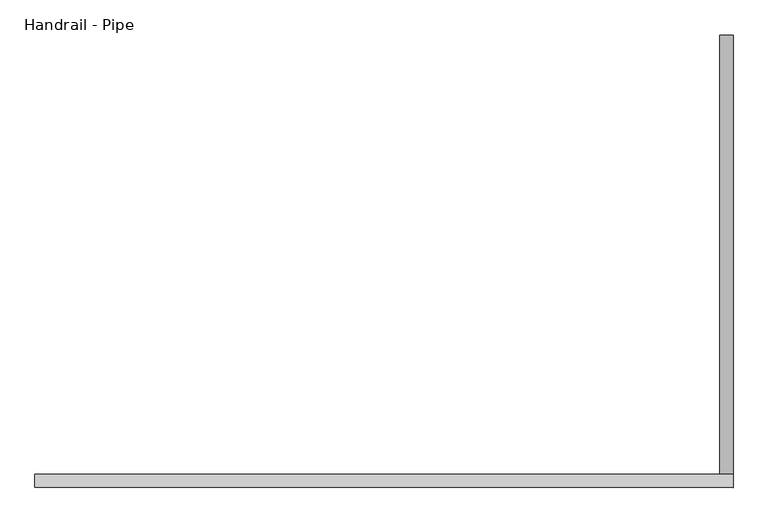
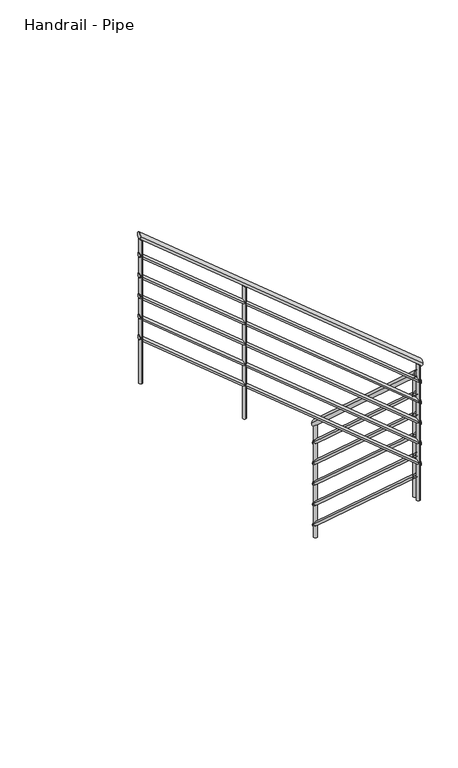
"""IFC4 building model written with IfcOpenShell, lengths in millimetres: railing geometry, Handrail - Pipe."""

from ifc_helpers import new_model, si_unit, frame, origin, place, context, project, spatial, circle_curve, ellipse_curve, source, transform, mapped, element, save
from ifc_brep_helpers import plane_surface, cylinder_surface, advanced_brep


def handrail_pipe_b92172c2(model_context):
    return source(origin(), model_context, "Body", "AdvancedBrep", [
        advanced_brep(
        [(14353.5405293, -598.2792994, -1742.7746845), (14315.4405293, -598.2792994, -1742.7746845), (14353.5405293, -1842.6266333, -621.462482), (14315.4405293, -1842.6266333, -621.462482)],
        [
            (0, 1, ellipse_curve(frame((14334.4905293, -598.2792994, -1742.7746845), z_axis=(0.0, 1.0, 0.0), x_axis=(0.0, 0.0, -1.0)), 25.6434925, 19.05)),
            (1, 0, ellipse_curve(frame((14334.4905293, -598.2792994, -1742.7746845), z_axis=(0.0, 1.0, 0.0), x_axis=(0.0, 0.0, -1.0)), 25.6434925, 19.05)),
            (2, 3, ellipse_curve(frame((14334.4905293, -1842.6266333, -621.462482), z_axis=(0.0, -1.0, 0.0), x_axis=(0.0, 0.0, -1.0)), 25.6434925, 19.05)),
            (3, 2, ellipse_curve(frame((14334.4905293, -1842.6266333, -621.462482), z_axis=(0.0, -1.0, 0.0), x_axis=(0.0, 0.0, -1.0)), 25.6434925, 19.05)),
            (0, 2),
            (3, 1),
        ],
        [
            plane_surface(frame((14334.4905293, -598.2792994, -1717.131192), z_axis=(0.0, 1.0, 0.0), x_axis=(0.0, 0.0, -1.0))),
            plane_surface(frame((14334.4905293, -1842.6266333, -595.8189894), z_axis=(0.0, -1.0, 0.0), x_axis=(0.0, 0.0, -1.0))),
            cylinder_surface(frame((14334.4905293, -611.0318693, -1731.283028), z_axis=(0.0, 0.7428785280974411, -0.6694262412632025), x_axis=(-1.0, 0.0, 0.0)), 19.05),
        ],
        [
            (0, [[1, 2]]),
            (1, [[3, 4]]),
            (2, [[-1, 5, -4, 6]]),
            (2, [[-2, -6, -3, -5]]),
        ],
    ),
        advanced_brep(
        [(14353.5405293, -1880.7266333, -534.0992159), (14353.5405293, -1842.6266333, -534.0992159), (12375.2487242, -1880.7266333, 1095.6752641), (12375.2487242, -1842.6266333, 1095.6752641)],
        [
            (0, 1, ellipse_curve(frame((14353.5405293, -1861.6766333, -534.0992159), z_axis=(1.0, 0.0, 0.0), x_axis=(0.0, 0.0, -0.9999999999999999)), 24.6820264, 19.05)),
            (1, 0, ellipse_curve(frame((14353.5405293, -1861.6766333, -534.0992159), z_axis=(1.0, 0.0, 0.0), x_axis=(0.0, 0.0, -0.9999999999999999)), 24.6820264, 19.05)),
            (2, 3, ellipse_curve(frame((12375.2487242, -1861.6766333, 1095.6752641), z_axis=(-1.0, 0.0, 0.0), x_axis=(0.0, 0.0, -0.9999999999999999)), 24.6820264, 19.05)),
            (3, 2, ellipse_curve(frame((12375.2487242, -1861.6766333, 1095.6752641), z_axis=(-1.0, 0.0, 0.0), x_axis=(0.0, 0.0, -0.9999999999999999)), 24.6820264, 19.05)),
            (0, 2),
            (3, 1),
        ],
        [
            plane_surface(frame((14353.5405293, -1861.6766333, -509.4171895), z_axis=(1.0, 0.0, 0.0), x_axis=(0.0, -1.0, 0.0))),
            plane_surface(frame((12375.2487242, -1861.6766333, 1120.3572905), z_axis=(-1.0, 0.0, 0.0), x_axis=(0.0, -1.0, 0.0))),
            cylinder_surface(frame((14341.4276801, -1861.6766333, -524.1202975), z_axis=(0.7718166937504876, 0.0, -0.6358451000425075), x_axis=(0.0, 1.0, 0.0)), 19.05),
        ],
        [
            (0, [[1, 2]]),
            (1, [[3, 4]]),
            (2, [[-1, 5, -4, 6]]),
            (2, [[-2, -6, -3, -5]]),
        ],
    ),
        advanced_brep(
        [(14347.1905293, -598.2792994, -1886.6268537), (14321.7905293, -598.2792994, -1886.6268537), (14347.1905293, -1848.9766333, -759.5925088), (14321.7905293, -1848.9766333, -759.5925088)],
        [
            (0, 1, ellipse_curve(frame((14334.4905293, -598.2792994, -1886.6268537), z_axis=(0.0, 1.0, 0.0), x_axis=(0.0, 0.0, -1.0)), 17.0956617, 12.7)),
            (1, 0, ellipse_curve(frame((14334.4905293, -598.2792994, -1886.6268537), z_axis=(0.0, 1.0, 0.0), x_axis=(0.0, 0.0, -1.0)), 17.0956617, 12.7)),
            (2, 3, ellipse_curve(frame((14334.4905293, -1848.9766333, -759.5925088), z_axis=(0.0, -1.0, 0.0), x_axis=(0.0, 0.0, -1.0)), 17.0956617, 12.7)),
            (3, 2, ellipse_curve(frame((14334.4905293, -1848.9766333, -759.5925088), z_axis=(0.0, -1.0, 0.0), x_axis=(0.0, 0.0, -1.0)), 17.0956617, 12.7)),
            (0, 2),
            (3, 1),
        ],
        [
            plane_surface(frame((14334.4905293, -598.2792994, -1869.531192), z_axis=(0.0, 1.0, 0.0), x_axis=(0.0, 0.0, -1.0))),
            plane_surface(frame((14334.4905293, -1848.9766333, -742.4968471), z_axis=(0.0, -1.0, 0.0), x_axis=(0.0, 0.0, -1.0))),
            cylinder_surface(frame((14334.4905293, -606.7810126, -1878.9657493), z_axis=(0.0, 0.7428785280974411, -0.6694262412632025), x_axis=(-1.0, 0.0, 0.0)), 12.7),
        ],
        [
            (0, [[1, 2]]),
            (1, [[3, 4]]),
            (2, [[-1, 5, -4, 6]]),
            (2, [[-2, -6, -3, -5]]),
        ],
    ),
        advanced_brep(
        [(14347.1905293, -1874.3766333, -673.0405586), (14347.1905293, -1848.9766333, -673.0405586), (12375.2487242, -1874.3766333, 951.5026062), (12375.2487242, -1848.9766333, 951.5026062)],
        [
            (0, 1, ellipse_curve(frame((14347.1905293, -1861.6766333, -673.0405586), z_axis=(1.0, 0.0, 0.0), x_axis=(0.0, 0.0, -0.9999999999999999)), 16.4546843, 12.7)),
            (1, 0, ellipse_curve(frame((14347.1905293, -1861.6766333, -673.0405586), z_axis=(1.0, 0.0, 0.0), x_axis=(0.0, 0.0, -0.9999999999999999)), 16.4546843, 12.7)),
            (2, 3, ellipse_curve(frame((12375.2487242, -1861.6766333, 951.5026062), z_axis=(-1.0, 0.0, 0.0), x_axis=(0.0, 0.0, -0.9999999999999999)), 16.4546843, 12.7)),
            (3, 2, ellipse_curve(frame((12375.2487242, -1861.6766333, 951.5026062), z_axis=(-1.0, 0.0, 0.0), x_axis=(0.0, 0.0, -0.9999999999999999)), 16.4546843, 12.7)),
            (0, 2),
            (3, 1),
        ],
        [
            plane_surface(frame((14347.1905293, -1861.6766333, -656.5858743), z_axis=(1.0, 0.0, 0.0), x_axis=(0.0, -1.0, 0.0))),
            plane_surface(frame((12375.2487242, -1861.6766333, 967.9572905), z_axis=(-1.0, 0.0, 0.0), x_axis=(0.0, -1.0, 0.0))),
            cylinder_surface(frame((14339.1152965, -1861.6766333, -666.3879463), z_axis=(0.7718166937504876, 0.0, -0.6358451000425075), x_axis=(0.0, 1.0, 0.0)), 12.7),
        ],
        [
            (0, [[1, 2]]),
            (1, [[3, 4]]),
            (2, [[-1, 5, -4, 6]]),
            (2, [[-2, -6, -3, -5]]),
        ],
    ),
        advanced_brep(
        [(14347.1905293, -598.2792994, -2039.0268537), (14321.7905293, -598.2792994, -2039.0268537), (14347.1905293, -1848.9766333, -911.9925088), (14321.7905293, -1848.9766333, -911.9925088)],
        [
            (0, 1, ellipse_curve(frame((14334.4905293, -598.2792994, -2039.0268537), z_axis=(0.0, 1.0, 0.0), x_axis=(0.0, 0.0, -1.0)), 17.0956617, 12.7)),
            (1, 0, ellipse_curve(frame((14334.4905293, -598.2792994, -2039.0268537), z_axis=(0.0, 1.0, 0.0), x_axis=(0.0, 0.0, -1.0)), 17.0956617, 12.7)),
            (2, 3, ellipse_curve(frame((14334.4905293, -1848.9766333, -911.9925088), z_axis=(0.0, -1.0, 0.0), x_axis=(0.0, 0.0, -1.0)), 17.0956617, 12.7)),
            (3, 2, ellipse_curve(frame((14334.4905293, -1848.9766333, -911.9925088), z_axis=(0.0, -1.0, 0.0), x_axis=(0.0, 0.0, -1.0)), 17.0956617, 12.7)),
            (0, 2),
            (3, 1),
        ],
        [
            plane_surface(frame((14334.4905293, -598.2792994, -2021.931192), z_axis=(0.0, 1.0, 0.0), x_axis=(0.0, 0.0, -1.0))),
            plane_surface(frame((14334.4905293, -1848.9766333, -894.8968471), z_axis=(0.0, -1.0, 0.0), x_axis=(0.0, 0.0, -1.0))),
            cylinder_surface(frame((14334.4905293, -606.7810126, -2031.3657493), z_axis=(0.0, 0.7428785280974411, -0.6694262412632025), x_axis=(-1.0, 0.0, 0.0)), 12.7),
        ],
        [
            (0, [[1, 2]]),
            (1, [[3, 4]]),
            (2, [[-1, 5, -4, 6]]),
            (2, [[-2, -6, -3, -5]]),
        ],
    ),
        advanced_brep(
        [(14347.1905293, -1874.3766333, -825.4405586), (14347.1905293, -1848.9766333, -825.4405586), (12375.2487242, -1874.3766333, 799.1026062), (12375.2487242, -1848.9766333, 799.1026062)],
        [
            (0, 1, ellipse_curve(frame((14347.1905293, -1861.6766333, -825.4405586), z_axis=(1.0, 0.0, 0.0), x_axis=(0.0, 0.0, -0.9999999999999999)), 16.4546843, 12.7)),
            (1, 0, ellipse_curve(frame((14347.1905293, -1861.6766333, -825.4405586), z_axis=(1.0, 0.0, 0.0), x_axis=(0.0, 0.0, -0.9999999999999999)), 16.4546843, 12.7)),
            (2, 3, ellipse_curve(frame((12375.2487242, -1861.6766333, 799.1026062), z_axis=(-1.0, 0.0, 0.0), x_axis=(0.0, 0.0, -0.9999999999999999)), 16.4546843, 12.7)),
            (3, 2, ellipse_curve(frame((12375.2487242, -1861.6766333, 799.1026062), z_axis=(-1.0, 0.0, 0.0), x_axis=(0.0, 0.0, -0.9999999999999999)), 16.4546843, 12.7)),
            (0, 2),
            (3, 1),
        ],
        [
            plane_surface(frame((14347.1905293, -1861.6766333, -808.9858743), z_axis=(1.0, 0.0, 0.0), x_axis=(0.0, -1.0, 0.0))),
            plane_surface(frame((12375.2487242, -1861.6766333, 815.5572905), z_axis=(-1.0, 0.0, 0.0), x_axis=(0.0, -1.0, 0.0))),
            cylinder_surface(frame((14339.1152965, -1861.6766333, -818.7879463), z_axis=(0.7718166937504876, 0.0, -0.6358451000425075), x_axis=(0.0, 1.0, 0.0)), 12.7),
        ],
        [
            (0, [[1, 2]]),
            (1, [[3, 4]]),
            (2, [[-1, 5, -4, 6]]),
            (2, [[-2, -6, -3, -5]]),
        ],
    ),
        advanced_brep(
        [(14347.1905293, -598.2792994, -2191.4268537), (14321.7905293, -598.2792994, -2191.4268537), (14347.1905293, -1848.9766333, -1064.3925088), (14321.7905293, -1848.9766333, -1064.3925088)],
        [
            (0, 1, ellipse_curve(frame((14334.4905293, -598.2792994, -2191.4268537), z_axis=(0.0, 1.0, 0.0), x_axis=(0.0, 0.0, -1.0)), 17.0956617, 12.7)),
            (1, 0, ellipse_curve(frame((14334.4905293, -598.2792994, -2191.4268537), z_axis=(0.0, 1.0, 0.0), x_axis=(0.0, 0.0, -1.0)), 17.0956617, 12.7)),
            (2, 3, ellipse_curve(frame((14334.4905293, -1848.9766333, -1064.3925088), z_axis=(0.0, -1.0, 0.0), x_axis=(0.0, 0.0, -1.0)), 17.0956617, 12.7)),
            (3, 2, ellipse_curve(frame((14334.4905293, -1848.9766333, -1064.3925088), z_axis=(0.0, -1.0, 0.0), x_axis=(0.0, 0.0, -1.0)), 17.0956617, 12.7)),
            (0, 2),
            (3, 1),
        ],
        [
            plane_surface(frame((14334.4905293, -598.2792994, -2174.331192), z_axis=(0.0, 1.0, 0.0), x_axis=(0.0, 0.0, -1.0))),
            plane_surface(frame((14334.4905293, -1848.9766333, -1047.2968471), z_axis=(0.0, -1.0, 0.0), x_axis=(0.0, 0.0, -1.0))),
            cylinder_surface(frame((14334.4905293, -606.7810126, -2183.7657493), z_axis=(0.0, 0.7428785280974411, -0.6694262412632025), x_axis=(-1.0, 0.0, 0.0)), 12.7),
        ],
        [
            (0, [[1, 2]]),
            (1, [[3, 4]]),
            (2, [[-1, 5, -4, 6]]),
            (2, [[-2, -6, -3, -5]]),
        ],
    ),
        advanced_brep(
        [(14347.1905293, -1874.3766333, -977.8405586), (14347.1905293, -1848.9766333, -977.8405586), (12375.2487242, -1874.3766333, 646.7026062), (12375.2487242, -1848.9766333, 646.7026062)],
        [
            (0, 1, ellipse_curve(frame((14347.1905293, -1861.6766333, -977.8405586), z_axis=(1.0, 0.0, 0.0), x_axis=(0.0, 0.0, -0.9999999999999999)), 16.4546843, 12.7)),
            (1, 0, ellipse_curve(frame((14347.1905293, -1861.6766333, -977.8405586), z_axis=(1.0, 0.0, 0.0), x_axis=(0.0, 0.0, -0.9999999999999999)), 16.4546843, 12.7)),
            (2, 3, ellipse_curve(frame((12375.2487242, -1861.6766333, 646.7026062), z_axis=(-1.0, 0.0, 0.0), x_axis=(0.0, 0.0, -0.9999999999999999)), 16.4546843, 12.7)),
            (3, 2, ellipse_curve(frame((12375.2487242, -1861.6766333, 646.7026062), z_axis=(-1.0, 0.0, 0.0), x_axis=(0.0, 0.0, -0.9999999999999999)), 16.4546843, 12.7)),
            (0, 2),
            (3, 1),
        ],
        [
            plane_surface(frame((14347.1905293, -1861.6766333, -961.3858743), z_axis=(1.0, 0.0, 0.0), x_axis=(0.0, -1.0, 0.0))),
            plane_surface(frame((12375.2487242, -1861.6766333, 663.1572905), z_axis=(-1.0, 0.0, 0.0), x_axis=(0.0, -1.0, 0.0))),
            cylinder_surface(frame((14339.1152965, -1861.6766333, -971.1879463), z_axis=(0.7718166937504876, 0.0, -0.6358451000425075), x_axis=(0.0, 1.0, 0.0)), 12.7),
        ],
        [
            (0, [[1, 2]]),
            (1, [[3, 4]]),
            (2, [[-1, 5, -4, 6]]),
            (2, [[-2, -6, -3, -5]]),
        ],
    ),
        advanced_brep(
        [(14347.1905293, -598.2792994, -2343.8268537), (14321.7905293, -598.2792994, -2343.8268537), (14347.1905293, -1848.9766333, -1216.7925088), (14321.7905293, -1848.9766333, -1216.7925088)],
        [
            (0, 1, ellipse_curve(frame((14334.4905293, -598.2792994, -2343.8268537), z_axis=(0.0, 1.0, 0.0), x_axis=(0.0, 0.0, -1.0)), 17.0956617, 12.7)),
            (1, 0, ellipse_curve(frame((14334.4905293, -598.2792994, -2343.8268537), z_axis=(0.0, 1.0, 0.0), x_axis=(0.0, 0.0, -1.0)), 17.0956617, 12.7)),
            (2, 3, ellipse_curve(frame((14334.4905293, -1848.9766333, -1216.7925088), z_axis=(0.0, -1.0, 0.0), x_axis=(0.0, 0.0, -1.0)), 17.0956617, 12.7)),
            (3, 2, ellipse_curve(frame((14334.4905293, -1848.9766333, -1216.7925088), z_axis=(0.0, -1.0, 0.0), x_axis=(0.0, 0.0, -1.0)), 17.0956617, 12.7)),
            (0, 2),
            (3, 1),
        ],
        [
            plane_surface(frame((14334.4905293, -598.2792994, -2326.731192), z_axis=(0.0, 1.0, 0.0), x_axis=(0.0, 0.0, -1.0))),
            plane_surface(frame((14334.4905293, -1848.9766333, -1199.6968471), z_axis=(0.0, -1.0, 0.0), x_axis=(0.0, 0.0, -1.0))),
            cylinder_surface(frame((14334.4905293, -606.7810126, -2336.1657493), z_axis=(0.0, 0.7428785280974411, -0.6694262412632025), x_axis=(-1.0, 0.0, 0.0)), 12.7),
        ],
        [
            (0, [[1, 2]]),
            (1, [[3, 4]]),
            (2, [[-1, 5, -4, 6]]),
            (2, [[-2, -6, -3, -5]]),
        ],
    ),
        advanced_brep(
        [(14347.1905293, -1874.3766333, -1130.2405586), (14347.1905293, -1848.9766333, -1130.2405586), (12375.2487242, -1874.3766333, 494.3026062), (12375.2487242, -1848.9766333, 494.3026062)],
        [
            (0, 1, ellipse_curve(frame((14347.1905293, -1861.6766333, -1130.2405586), z_axis=(1.0, 0.0, 0.0), x_axis=(0.0, 0.0, -0.9999999999999999)), 16.4546843, 12.7)),
            (1, 0, ellipse_curve(frame((14347.1905293, -1861.6766333, -1130.2405586), z_axis=(1.0, 0.0, 0.0), x_axis=(0.0, 0.0, -0.9999999999999999)), 16.4546843, 12.7)),
            (2, 3, ellipse_curve(frame((12375.2487242, -1861.6766333, 494.3026062), z_axis=(-1.0, 0.0, 0.0), x_axis=(0.0, 0.0, -0.9999999999999999)), 16.4546843, 12.7)),
            (3, 2, ellipse_curve(frame((12375.2487242, -1861.6766333, 494.3026062), z_axis=(-1.0, 0.0, 0.0), x_axis=(0.0, 0.0, -0.9999999999999999)), 16.4546843, 12.7)),
            (0, 2),
            (3, 1),
        ],
        [
            plane_surface(frame((14347.1905293, -1861.6766333, -1113.7858743), z_axis=(1.0, 0.0, 0.0), x_axis=(0.0, -1.0, 0.0))),
            plane_surface(frame((12375.2487242, -1861.6766333, 510.7572905), z_axis=(-1.0, 0.0, 0.0), x_axis=(0.0, -1.0, 0.0))),
            cylinder_surface(frame((14339.1152965, -1861.6766333, -1123.5879463), z_axis=(0.7718166937504876, 0.0, -0.6358451000425075), x_axis=(0.0, 1.0, 0.0)), 12.7),
        ],
        [
            (0, [[1, 2]]),
            (1, [[3, 4]]),
            (2, [[-1, 5, -4, 6]]),
            (2, [[-2, -6, -3, -5]]),
        ],
    ),
        advanced_brep(
        [(14347.1905293, -598.2792994, -2496.2268537), (14321.7905293, -598.2792994, -2496.2268537), (14347.1905293, -1848.9766333, -1369.1925088), (14321.7905293, -1848.9766333, -1369.1925088)],
        [
            (0, 1, ellipse_curve(frame((14334.4905293, -598.2792994, -2496.2268537), z_axis=(0.0, 1.0, 0.0), x_axis=(0.0, 0.0, -1.0)), 17.0956617, 12.7)),
            (1, 0, ellipse_curve(frame((14334.4905293, -598.2792994, -2496.2268537), z_axis=(0.0, 1.0, 0.0), x_axis=(0.0, 0.0, -1.0)), 17.0956617, 12.7)),
            (2, 3, ellipse_curve(frame((14334.4905293, -1848.9766333, -1369.1925088), z_axis=(0.0, -1.0, 0.0), x_axis=(0.0, 0.0, -1.0)), 17.0956617, 12.7)),
            (3, 2, ellipse_curve(frame((14334.4905293, -1848.9766333, -1369.1925088), z_axis=(0.0, -1.0, 0.0), x_axis=(0.0, 0.0, -1.0)), 17.0956617, 12.7)),
            (0, 2),
            (3, 1),
        ],
        [
            plane_surface(frame((14334.4905293, -598.2792994, -2479.131192), z_axis=(0.0, 1.0, 0.0), x_axis=(0.0, 0.0, -1.0))),
            plane_surface(frame((14334.4905293, -1848.9766333, -1352.0968471), z_axis=(0.0, -1.0, 0.0), x_axis=(0.0, 0.0, -1.0))),
            cylinder_surface(frame((14334.4905293, -606.7810126, -2488.5657493), z_axis=(0.0, 0.7428785280974411, -0.6694262412632025), x_axis=(-1.0, 0.0, 0.0)), 12.7),
        ],
        [
            (0, [[1, 2]]),
            (1, [[3, 4]]),
            (2, [[-1, 5, -4, 6]]),
            (2, [[-2, -6, -3, -5]]),
        ],
    ),
        advanced_brep(
        [(14347.1905293, -1874.3766333, -1282.6405586), (14347.1905293, -1848.9766333, -1282.6405586), (12375.2487242, -1874.3766333, 341.9026062), (12375.2487242, -1848.9766333, 341.9026062)],
        [
            (0, 1, ellipse_curve(frame((14347.1905293, -1861.6766333, -1282.6405586), z_axis=(1.0, 0.0, 0.0), x_axis=(0.0, 0.0, -0.9999999999999999)), 16.4546843, 12.7)),
            (1, 0, ellipse_curve(frame((14347.1905293, -1861.6766333, -1282.6405586), z_axis=(1.0, 0.0, 0.0), x_axis=(0.0, 0.0, -0.9999999999999999)), 16.4546843, 12.7)),
            (2, 3, ellipse_curve(frame((12375.2487242, -1861.6766333, 341.9026062), z_axis=(-1.0, 0.0, 0.0), x_axis=(0.0, 0.0, -0.9999999999999999)), 16.4546843, 12.7)),
            (3, 2, ellipse_curve(frame((12375.2487242, -1861.6766333, 341.9026062), z_axis=(-1.0, 0.0, 0.0), x_axis=(0.0, 0.0, -0.9999999999999999)), 16.4546843, 12.7)),
            (0, 2),
            (3, 1),
        ],
        [
            plane_surface(frame((14347.1905293, -1861.6766333, -1266.1858743), z_axis=(1.0, 0.0, 0.0), x_axis=(0.0, -1.0, 0.0))),
            plane_surface(frame((12375.2487242, -1861.6766333, 358.3572905), z_axis=(-1.0, 0.0, 0.0), x_axis=(0.0, -1.0, 0.0))),
            cylinder_surface(frame((14339.1152965, -1861.6766333, -1275.9879463), z_axis=(0.7718166937504876, 0.0, -0.6358451000425075), x_axis=(0.0, 1.0, 0.0)), 12.7),
        ],
        [
            (0, [[1, 2]]),
            (1, [[3, 4]]),
            (2, [[-1, 5, -4, 6]]),
            (2, [[-2, -6, -3, -5]]),
        ],
    ),
        advanced_brep(
        [(13115.2905293, -1848.9766333, 461.3252176), (13115.2905293, -1848.9766333, -515.625), (13115.2905293, -1874.3766333, -515.625), (13115.2905293, -1874.3766333, 461.3252176)],
        [
            (0, 1),
            (1, 2, circle_curve(frame((13115.2905293, -1861.6766333, -515.625), z_axis=(0.0, 0.0, 1.0), x_axis=(0.0, -1.0, 0.0)), 12.7)),
            (2, 3),
            (3, 0, ellipse_curve(frame((13115.2905293, -1861.6766333, 461.3252176), z_axis=(-0.6358451000425056, 0.0, -0.771816693750489), x_axis=(-0.7718166937504889, 0.0, 0.6358451000425055)), 16.4546843, 12.7)),
            (0, 3, ellipse_curve(frame((13115.2905293, -1861.6766333, 461.3252176), z_axis=(-0.6358451000425056, 0.0, -0.771816693750489), x_axis=(-0.7718166937504889, 0.0, 0.6358451000425055)), 16.4546843, 12.7)),
            (2, 1, circle_curve(frame((13115.2905293, -1861.6766333, -515.625), z_axis=(0.0, 0.0, 1.0), x_axis=(0.0, -1.0, 0.0)), 12.7)),
        ],
        [
            cylinder_surface(frame((13115.2905293, -1861.6766333, -744.225), z_axis=(0.0, 0.0, 1.0), x_axis=(0.0, -1.0, 0.0)), 12.7),
            plane_surface(frame((13089.8905293, -1887.0766333, 482.2504783), z_axis=(0.6358451000425056, 0.0, 0.771816693750489), x_axis=(0.0, 1.0, 0.0))),
            plane_surface(frame((13140.6905293, -1887.0766333, -515.625), z_axis=(0.0, 0.0, -1.0), x_axis=(0.0, 1.0, 0.0))),
        ],
        [
            (0, [[1, 2, 3, 4]]),
            (0, [[-1, 5, -3, 6]]),
            (1, [[-4, -5]]),
            (2, [[-2, -6]]),
        ],
    ),
        advanced_brep(
        [(14321.7905293, -1817.4792994, -669.76686), (14321.7905293, -1817.4792994, -1546.875), (14347.1905293, -1817.4792994, -1546.875), (14347.1905293, -1817.4792994, -669.76686)],
        [
            (0, 1),
            (1, 2, circle_curve(frame((14334.4905293, -1817.4792994, -1546.875), z_axis=(0.0, 0.0, 1.0), x_axis=(1.0, 0.0, 0.0)), 12.7)),
            (2, 3),
            (3, 0, ellipse_curve(frame((14334.4905293, -1817.4792994, -669.76686), z_axis=(0.0, -0.6694262412632008, -0.7428785280974427), x_axis=(0.0, -0.7428785280974427, 0.6694262412632007)), 17.0956617, 12.7)),
            (0, 3, ellipse_curve(frame((14334.4905293, -1817.4792994, -669.76686), z_axis=(0.0, -0.6694262412632008, -0.7428785280974427), x_axis=(0.0, -0.7428785280974427, 0.6694262412632007)), 17.0956617, 12.7)),
            (2, 1, circle_curve(frame((14334.4905293, -1817.4792994, -1546.875), z_axis=(0.0, 0.0, 1.0), x_axis=(1.0, 0.0, 0.0)), 12.7)),
        ],
        [
            cylinder_surface(frame((14334.4905293, -1817.4792994, -1775.475), z_axis=(0.0, 0.0, 1.0), x_axis=(1.0, 0.0, 0.0)), 12.7),
            plane_surface(frame((14359.8905293, -1842.8792994, -646.8782909), z_axis=(0.0, 0.6694262412632008, 0.7428785280974427), x_axis=(-1.0, 0.0, 0.0))),
            plane_surface(frame((14359.8905293, -1792.0792994, -1546.875), z_axis=(0.0, 0.0, -1.0), x_axis=(-1.0, 0.0, 0.0))),
        ],
        [
            (0, [[1, 2, 3, 4]]),
            (0, [[-1, 5, -3, 6]]),
            (1, [[-4, -5]]),
            (2, [[-2, -6]]),
        ],
    ),
        advanced_brep(
        [(14334.4905293, -1848.9766333, -543.0872967), (14334.4905293, -1848.9766333, -1546.875), (14334.4905293, -1874.3766333, -1546.875), (14334.4905293, -1874.3766333, -543.0872967)],
        [
            (0, 1),
            (1, 2, circle_curve(frame((14334.4905293, -1861.6766333, -1546.875), z_axis=(0.0, 0.0, 1.0), x_axis=(0.0, -1.0, 0.0)), 12.7)),
            (2, 3),
            (3, 0, ellipse_curve(frame((14334.4905293, -1861.6766333, -543.0872967), z_axis=(-0.6358451000425056, 0.0, -0.771816693750489), x_axis=(-0.7718166937504889, 0.0, 0.6358451000425055)), 16.4546843, 12.7)),
            (0, 3, ellipse_curve(frame((14334.4905293, -1861.6766333, -543.0872967), z_axis=(-0.6358451000425056, 0.0, -0.771816693750489), x_axis=(-0.7718166937504889, 0.0, 0.6358451000425055)), 16.4546843, 12.7)),
            (2, 1, circle_curve(frame((14334.4905293, -1861.6766333, -1546.875), z_axis=(0.0, 0.0, 1.0), x_axis=(0.0, -1.0, 0.0)), 12.7)),
        ],
        [
            cylinder_surface(frame((14334.4905293, -1861.6766333, -1775.475), z_axis=(0.0, 0.0, 1.0), x_axis=(0.0, -1.0, 0.0)), 12.7),
            plane_surface(frame((14309.0905293, -1887.0766333, -522.162036), z_axis=(0.6358451000425056, 0.0, 0.771816693750489), x_axis=(0.0, 1.0, 0.0))),
            plane_surface(frame((14359.8905293, -1887.0766333, -1546.875), z_axis=(0.0, 0.0, -1.0), x_axis=(0.0, 1.0, 0.0))),
        ],
        [
            (0, [[1, 2, 3, 4]]),
            (0, [[-1, 5, -3, 6]]),
            (1, [[-4, -5]]),
            (2, [[-2, -6]]),
        ],
    ),
        advanced_brep(
        [(12387.9487242, -1848.9766333, 1060.5306074), (12387.9487242, -1848.9766333, 0.0), (12387.9487242, -1874.3766333, 0.0), (12387.9487242, -1874.3766333, 1060.5306074)],
        [
            (0, 1),
            (1, 2, circle_curve(frame((12387.9487242, -1861.6766333, 0.0), z_axis=(0.0, 0.0, 1.0), x_axis=(0.0, -1.0, 0.0)), 12.7)),
            (2, 3),
            (3, 0, ellipse_curve(frame((12387.9487242, -1861.6766333, 1060.5306074), z_axis=(-0.6358451000425068, 0.0, -0.771816693750488), x_axis=(-0.771816693750488, 0.0, 0.6358451000425067)), 16.4546843, 12.7)),
            (0, 3, ellipse_curve(frame((12387.9487242, -1861.6766333, 1060.5306074), z_axis=(-0.6358451000425068, 0.0, -0.771816693750488), x_axis=(-0.771816693750488, 0.0, 0.6358451000425067)), 16.4546843, 12.7)),
            (2, 1, circle_curve(frame((12387.9487242, -1861.6766333, 0.0), z_axis=(0.0, 0.0, 1.0), x_axis=(0.0, -1.0, 0.0)), 12.7)),
        ],
        [
            cylinder_surface(frame((12387.9487242, -1861.6766333, -228.6), z_axis=(0.0, 0.0, 1.0), x_axis=(0.0, -1.0, 0.0)), 12.7),
            plane_surface(frame((12362.5487242, -1887.0766333, 1081.4558681), z_axis=(0.6358451000425068, 0.0, 0.771816693750488), x_axis=(0.0, 1.0, 0.0))),
            plane_surface(frame((12413.3487242, -1887.0766333, 0.0), z_axis=(0.0, 0.0, -1.0), x_axis=(0.0, 1.0, 0.0))),
        ],
        [
            (0, [[1, 2, 3, 4]]),
            (0, [[-1, 5, -3, 6]]),
            (1, [[-4, -5]]),
            (2, [[-2, -6]]),
        ],
    ),
        advanced_brep(
        [(14321.7905293, -610.9792994, -1756.9738925), (14321.7905293, -610.9792994, -2578.125), (14347.1905293, -610.9792994, -2578.125), (14347.1905293, -610.9792994, -1756.9738925)],
        [
            (0, 1),
            (1, 2, circle_curve(frame((14334.4905293, -610.9792994, -2578.125), z_axis=(0.0, 0.0, 1.0), x_axis=(1.0, 0.0, 0.0)), 12.7)),
            (2, 3),
            (3, 0, ellipse_curve(frame((14334.4905293, -610.9792994, -1756.9738925), z_axis=(0.0, -0.6694262412632008, -0.7428785280974427), x_axis=(0.0, -0.7428785280974427, 0.6694262412632007)), 17.0956617, 12.7)),
            (0, 3, ellipse_curve(frame((14334.4905293, -610.9792994, -1756.9738925), z_axis=(0.0, -0.6694262412632008, -0.7428785280974427), x_axis=(0.0, -0.7428785280974427, 0.6694262412632007)), 17.0956617, 12.7)),
            (2, 1, circle_curve(frame((14334.4905293, -610.9792994, -2578.125), z_axis=(0.0, 0.0, 1.0), x_axis=(1.0, 0.0, 0.0)), 12.7)),
        ],
        [
            cylinder_surface(frame((14334.4905293, -610.9792994, -2806.725), z_axis=(0.0, 0.0, 1.0), x_axis=(1.0, 0.0, 0.0)), 12.7),
            plane_surface(frame((14359.8905293, -636.3792994, -1734.0853234), z_axis=(0.0, 0.6694262412632008, 0.7428785280974427), x_axis=(-1.0, 0.0, 0.0))),
            plane_surface(frame((14359.8905293, -585.5792994, -2578.125), z_axis=(0.0, 0.0, -1.0), x_axis=(-1.0, 0.0, 0.0))),
        ],
        [
            (0, [[1, 2, 3, 4]]),
            (0, [[-1, 5, -3, 6]]),
            (1, [[-4, -5]]),
            (2, [[-2, -6]]),
        ],
    ),
    ])


if __name__ == "__main__":
    model = new_model("IFC4")
    model_context = context("Model", 3, world=origin())
    ifc_project = project(units=[si_unit("LENGTHUNIT", "METRE", prefix="MILLI")], contexts=[model_context])
    site = spatial("IfcSite", under=ifc_project)
    building = spatial("IfcBuilding", under=site)
    placement = place(None, origin())
    handrail_pipe_shape = handrail_pipe_b92172c2(model_context)
    element("IfcRailing", 1, ObjectType="Handrail - Pipe", at=placement, inside=building, context=model_context, shape_type="MappedRepresentation", body=[
        mapped(handrail_pipe_shape, transform((0.0, 0.0, 0.0), x_axis=(1.0, 0.0, 0.0), y_axis=(0.0, 1.0, 0.0), z_axis=(0.0, 0.0, 1.0))),
    ])
    save(model, "model.ifc")
